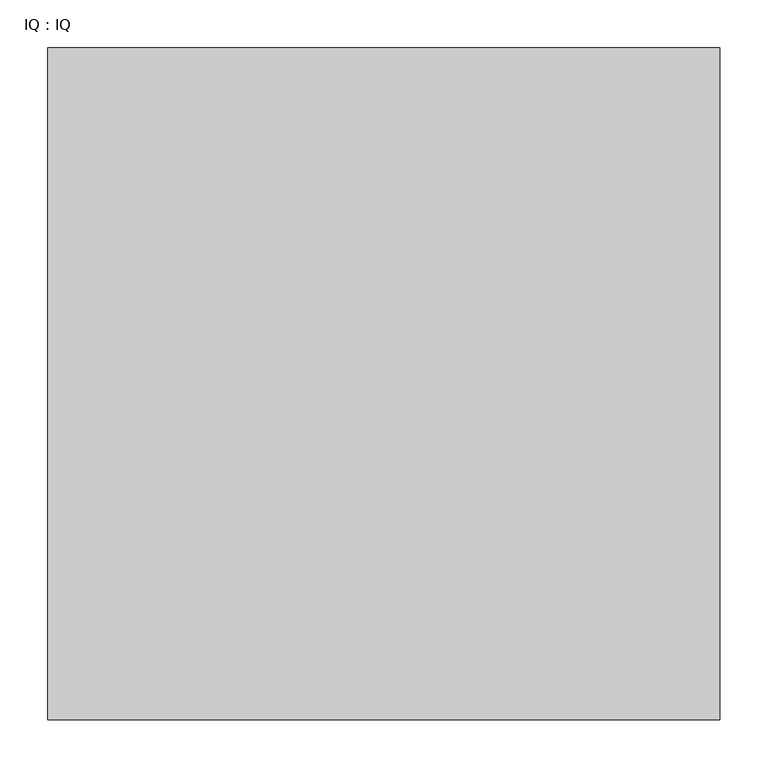
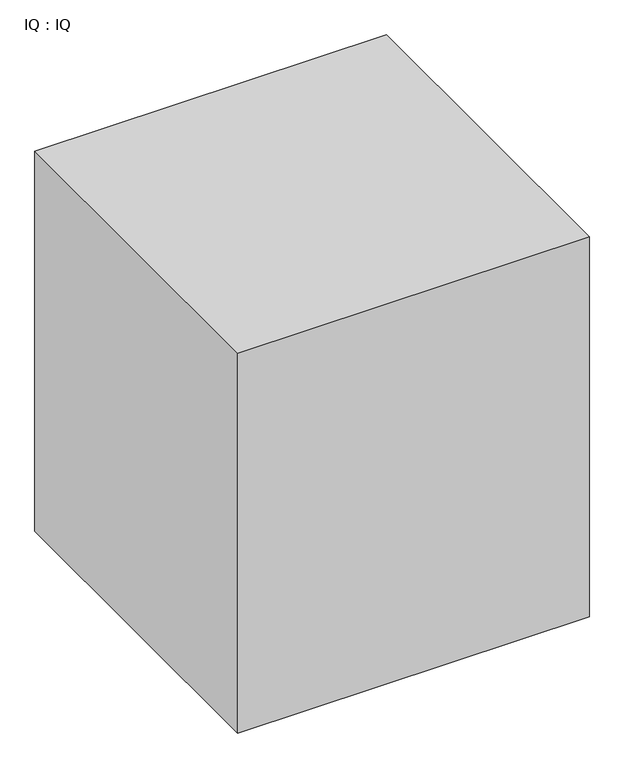
"""IFC4 building model written with IfcOpenShell, lengths in millimetres: proxy geometry, IQ : IQ."""

from ifc_helpers import new_model, si_unit, origin, origin_with_axes, place, context, project, spatial, polyline, outline, extrude, source, transform, mapped, element, save


def iq_iq_af6142d4(model_context):
    return source(origin(), model_context, "Body", "SweptSolid", [
        extrude(outline(polyline([(700.0, 700.0), (700.0, 0.0), (0.0, 0.0), (0.0, 700.0), (700.0, 700.0)])), origin_with_axes(), (0.0, 0.0, 1.0), 800.0),
    ])


if __name__ == "__main__":
    model = new_model("IFC4")
    model_context = context("Model", 3, world=origin())
    ifc_project = project(units=[si_unit("LENGTHUNIT", "METRE", prefix="MILLI")], contexts=[model_context])
    site = spatial("IfcSite", under=ifc_project)
    building = spatial("IfcBuilding", under=site)
    placement = place(None, origin())
    iq_iq_shape = iq_iq_af6142d4(model_context)
    element("IfcBuildingElementProxy", 1, Name="IQ : IQ", ObjectType="IQ : IQ", at=placement, inside=building, context=model_context, shape_type="MappedRepresentation", body=[
        mapped(iq_iq_shape, transform((0.0, 0.0, 0.0), x_axis=(1.0, 0.0, 0.0), y_axis=(0.0, 1.0, 0.0), z_axis=(0.0, 0.0, 1.0))),
    ])
    save(model, "model.ifc")
